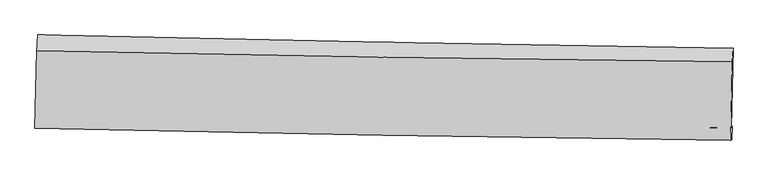
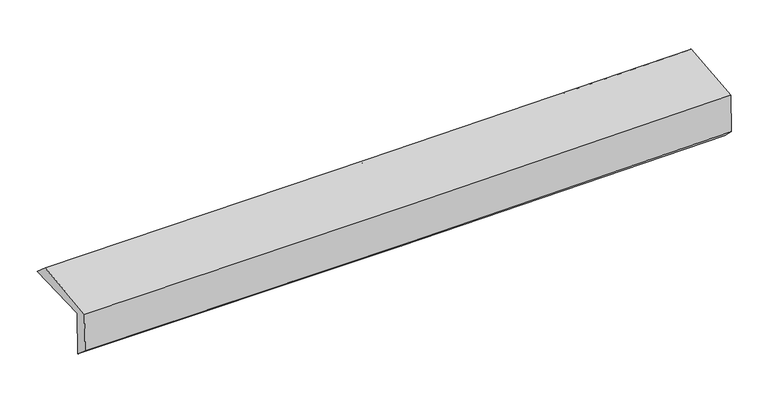
"""IFC4 building model written with IfcOpenShell, lengths in millimetres: proxy geometry."""

from ifc_helpers import new_model, si_unit, frame, origin, place, context, project, spatial, source, transform, mapped, element, save
from ifc_brep_helpers import plane_surface, spline_curve, spline_surface, advanced_brep


def generic_models_edd508a5(model_context):
    return source(origin(), model_context, "Body", "AdvancedBrep", [
        advanced_brep(
        [(-3026.3815339, -1760.6905566, 1985.0765336), (-3008.6629718, -1076.6516266, 1985.5016254), (3016.5948355, -1190.232857, 2133.6644121), (2998.8048968, -1881.3562516, 2128.1982078), (-3016.9478084, -1749.5951153, 1574.2493236), (3008.3758444, -1869.0298285, 1712.6402804), (-3022.8077846, -1881.6733907, 1683.7118865), (3002.8893028, -1985.0643918, 1824.0058071), (-3031.1441439, -1884.5951932, 2054.7627804), (2994.6697025, -1987.5688926, 2190.2979191), (-3014.8648862, -1213.4252578, 2104.8573742), (3011.2921785, -1311.0844551, 2231.1625892)],
        [
            (0, 1),
            (1, 2, spline_curve(3, [(-3008.6629718, -1076.6516266, 1985.5016254), (-2004.351920504, -1100.217652816, 2001.16534079), (-1000.101829723, -1121.465622852, 2021.343752989), (1008.31744447, -1159.326222077, 2070.730979919), (2012.486622528, -1175.938662546, 2099.940163256), (3016.5948355, -1190.232857, 2133.6644121)], [4, 2, 4], [0.0, 9.888552100823643, 19.77750806649008])),
            (2, 3),
            (3, 0, spline_curve(3, [(2998.8048968, -1881.3562516, 2128.1982078), (1994.77430488, -1861.823764767, 2097.085415658), (990.649884474, -1842.001835412, 2069.602044061), (-1017.745600013, -1801.779913136, 2021.895115535), (-2022.016656578, -1781.379944338, 2001.671262762), (-3026.3815339, -1760.6905566, 1985.0765336)], [4, 2, 4], [0.0, 9.888955965666435, 19.77750806649008])),
            (4, 0),
            (3, 5),
            (5, 4, spline_curve(3, [(3008.3758444, -1869.0298285, 1712.6402804), (2004.314888719, -1850.067851425, 1682.227208534), (1000.16385149, -1830.633757235, 1655.487932574), (-1008.277373295, -1790.822147335, 1609.35791362), (-2012.567553576, -1770.444670667, 1589.966870714), (-3016.9478084, -1749.5951153, 1574.2493236)], [4, 2, 4], [0.0, 9.888886137029406, 19.777368412067823])),
            (6, 4),
            (5, 7),
            (7, 6, spline_curve(3, [(3002.8893028, -1985.0643918, 1824.0058071), (1998.526884497, -1974.259281222, 1797.638210083), (994.193998216, -1960.240567434, 1772.763043457), (-1014.371695079, -1925.776637933, 1725.998525094), (-2018.604504558, -1905.33168443, 1704.109051707), (-3022.8077846, -1881.6733907, 1683.7118865)], [4, 2, 4], [0.0, 9.888959164094855, 19.777514463216296])),
            (8, 6),
            (7, 9),
            (9, 8, spline_curve(3, [(2994.6697025, -1987.5688926, 2190.2979191), (1990.286379883, -1976.959299527, 2164.641697661), (985.933311117, -1963.073119071, 2140.518792831), (-1022.671301585, -1928.748285056, 2095.340538327), (-2026.922848708, -1908.309898858, 2074.285063633), (-3031.1441439, -1884.5951932, 2054.7627804)], [4, 2, 4], [0.0, 9.889082744636982, 19.77776161925352])),
            (10, 8),
            (9, 11),
            (11, 10, spline_curve(3, [(3011.2921785, -1311.0844551, 2231.1625892), (2006.81634179, -1299.871106146, 2210.364756637), (1002.388414432, -1286.12594772, 2189.440187898), (-1006.330603164, -1253.572674831, 2147.338439437), (-2010.621697446, -1234.764767934, 2126.161269528), (-3014.8648862, -1213.4252578, 2104.8573742)], [4, 2, 4], [0.0, 9.889102239773145, 19.777800608729667])),
            (1, 10),
            (11, 2),
        ],
        [
            spline_surface(3, 3, [[(-3026.3815339, -1760.6905566, 1985.0765336), (-2022.016656732, -1781.379944299, 2001.671262612), (-1017.745600058, -1801.779913294, 2021.89511566), (990.64988452, -1842.001835254, 2069.602043935), (1994.774304718, -1861.823764622, 2097.085415647), (2998.8048968, -1881.3562516, 2128.1982078)], [(-3020.475346522, -1532.677579927, 1985.218230864), (-2016.128411346, -1554.325847181, 2001.502622011), (-1011.864343251, -1575.0084831, 2021.711328144), (996.53907116, -1614.443297573, 2069.978355921), (2000.678410664, -1633.195397294, 2098.036998164), (3004.73487636, -1650.981786757, 2130.020275909)], [(-3014.569159178, -1304.664603273, 1985.359928136), (-2010.240165994, -1327.271750082, 2001.333981419), (-1005.983086472, -1348.237052909, 2021.527540579), (1002.428257771, -1386.884759895, 2070.354667858), (2006.582516629, -1404.567029894, 2098.988580655), (3010.66485594, -1420.607321843, 2131.842343991)], [(-3008.6629718, -1076.6516266, 1985.5016254), (-2004.351920608, -1100.217652964, 2001.165340819), (-1000.101829664, -1121.465622715, 2021.343753063), (1008.317444411, -1159.326222214, 2070.730979844), (2012.486622575, -1175.938662566, 2099.940163172), (3016.5948355, -1190.232857, 2133.6644121)]], [4, 4], [4, 2, 4], [0.0, 2.2366264034789274], [0.0, 9.888552100823643, 19.77750806649008]),
            spline_surface(3, 3, [[(-3016.9478084, -1749.5951153, 1574.2493236), (-2012.567553715, -1770.444670635, 1589.966870809), (-1008.277373378, -1790.822147476, 1609.357913663), (1000.163851574, -1830.633757093, 1655.487932531), (2004.314888849, -1850.067851341, 1682.227208602), (3008.3758444, -1869.0298285, 1712.6402804)], [(-3020.092383577, -1753.293595728, 1711.19172693), (-2015.717254731, -1774.089761851, 1727.201668073), (-1011.433448934, -1794.474736083, 1746.870314329), (996.992529226, -1834.423116481, 1793.525969665), (2001.134694148, -1853.986489092, 1820.513277596), (3005.185528543, -1873.138636191, 1851.159589512)], [(-3023.236958723, -1756.992076172, 1848.13413027), (-2018.866955715, -1777.734853083, 1864.436465347), (-1014.589524503, -1798.127324687, 1884.382714995), (993.821206867, -1838.212475866, 1931.5640068), (1997.954499419, -1857.905126871, 1958.799346653), (3001.995212657, -1877.247443909, 1989.678898688)], [(-3026.3815339, -1760.6905566, 1985.0765336), (-2022.016656732, -1781.379944299, 2001.671262612), (-1017.745600058, -1801.779913294, 2021.89511566), (990.64988452, -1842.001835254, 2069.602043935), (1994.774304718, -1861.823764622, 2097.085415647), (2998.8048968, -1881.3562516, 2128.1982078)]], [4, 4], [4, 2, 4], [0.0, 1.3569072183931856], [0.0, 9.888482275038417, 19.777368412067823]),
            spline_surface(3, 3, [[(-3022.8077846, -1881.6733907, 1683.7118865), (-2018.604504572, -1905.331684523, 1704.109051692), (-1014.371695125, -1925.776637926, 1725.99852513), (994.193998262, -1960.240567442, 1772.763043421), (1998.526884617, -1974.25928107, 1797.638210202), (3002.8893028, -1985.0643918, 1824.0058071)], [(-3020.854459192, -1837.647298896, 1647.224365531), (-2016.592187612, -1860.369346555, 1666.061658062), (-1012.340254545, -1880.791807786, 1687.118321297), (996.183949363, -1917.038297335, 1733.671339781), (2000.456219365, -1932.86213781, 1759.167876347), (3004.718150004, -1946.386204017, 1786.883964878)], [(-3018.901133808, -1793.621207104, 1610.736844569), (-2014.579870675, -1815.407008602, 1628.014264438), (-1010.308813958, -1835.806977616, 1648.238117495), (998.173900472, -1873.8360272, 1694.579636171), (2002.385554101, -1891.464994601, 1720.697542457), (3006.546997196, -1907.708016283, 1749.762122622)], [(-3016.9478084, -1749.5951153, 1574.2493236), (-2012.567553715, -1770.444670635, 1589.966870809), (-1008.277373378, -1790.822147476, 1609.357913663), (1000.163851574, -1830.633757093, 1655.487932531), (2004.314888849, -1850.067851341, 1682.227208602), (3008.3758444, -1869.0298285, 1712.6402804)]], [4, 4], [4, 2, 4], [0.0, 0.579638826022661], [0.0, 9.88855529912144, 19.777514463216296]),
            spline_surface(3, 3, [[(-3031.1441439, -1884.5951932, 2054.7627804), (-2026.922848551, -1908.309898832, 2074.285063763), (-1022.671301721, -1928.748285013, 2095.340538408), (985.933311252, -1963.073119114, 2140.518792751), (1990.286379933, -1976.959299383, 2164.641697642), (2994.6697025, -1987.5688926, 2190.2979191)], [(-3028.36535748, -1883.621259035, 1931.079149118), (-2024.150067238, -1907.317160731, 1950.893059757), (-1019.904766194, -1927.757735991, 1972.226534003), (988.686873584, -1962.128935231, 2017.933542996), (1993.033214835, -1976.059293272, 2042.307201822), (2997.409569274, -1986.734058994, 2068.200548426)], [(-3025.58657102, -1882.647324865, 1807.395517782), (-2021.377285886, -1906.324422624, 1827.501055698), (-1017.138230652, -1926.767186948, 1849.112529534), (991.44043593, -1961.184751325, 1895.348293176), (1995.780049715, -1975.15928718, 1919.972706022), (3000.149436026, -1985.899225406, 1946.103177774)], [(-3022.8077846, -1881.6733907, 1683.7118865), (-2018.604504572, -1905.331684523, 1704.109051692), (-1014.371695125, -1925.776637926, 1725.99852513), (994.193998262, -1960.240567442, 1772.763043421), (1998.526884617, -1974.25928107, 1797.638210202), (3002.8893028, -1985.0643918, 1824.0058071)]], [4, 4], [4, 2, 4], [0.0, 1.2094923711595555], [0.0, 9.88867887461654, 19.77776161925352]),
            spline_surface(3, 3, [[(-3014.8648862, -1213.4252578, 2104.8573742), (-2010.621697332, -1234.764767952, 2126.161269463), (-1006.330603191, -1253.572674986, 2147.338439326), (1002.388414459, -1286.125947566, 2189.440188009), (2006.816341892, -1299.87110626, 2210.364756484), (3011.2921785, -1311.0844551, 2231.1625892)], [(-3020.291305418, -1437.148569623, 2088.159176262), (-2016.055414389, -1459.279811601, 2108.869200891), (-1011.777502697, -1478.631211661, 2130.005805674), (996.903380061, -1511.775004748, 2173.133056244), (2001.30635457, -1525.567170647, 2195.123736882), (3005.751353164, -1536.579267612, 2217.541032512)], [(-3025.717724682, -1660.871881377, 2071.460978338), (-2021.489131494, -1683.794855182, 2091.577132335), (-1017.224402215, -1703.689748338, 2112.67317206), (991.418345651, -1737.424061932, 2156.825924516), (1995.796367256, -1751.263234996, 2179.882717244), (3000.210527836, -1762.074080088, 2203.919475788)], [(-3031.1441439, -1884.5951932, 2054.7627804), (-2026.922848551, -1908.309898832, 2074.285063763), (-1022.671301721, -1928.748285013, 2095.340538408), (985.933311252, -1963.073119114, 2140.518792751), (1990.286379933, -1976.959299383, 2164.641697642), (2994.6697025, -1987.5688926, 2190.2979191)]], [4, 4], [4, 2, 4], [0.0, 2.224869381805429], [0.0, 9.888698368956522, 19.777800608729667]),
            spline_surface(3, 3, [[(-3008.6629718, -1076.6516266, 1985.5016254), (-2004.351920608, -1100.217652964, 2001.165340819), (-1000.101829664, -1121.465622715, 2021.343753063), (1008.317444411, -1159.326222214, 2070.730979844), (2012.486622575, -1175.938662566, 2099.940163172), (3016.5948355, -1190.232857, 2133.6644121)], [(-3010.730276612, -1122.242836991, 2025.286874995), (-2006.441846194, -1145.066691284, 2042.830650362), (-1002.178087517, -1165.501306789, 2063.341981803), (1006.341101084, -1201.592797315, 2110.300715885), (2010.596529002, -1217.249477126, 2136.748360938), (3014.827283155, -1230.516723029, 2166.163804462)], [(-3012.797581388, -1167.834047409, 2065.072124605), (-2008.531771745, -1189.915729631, 2084.49595992), (-1004.254345339, -1209.536990912, 2105.340210586), (1004.364757786, -1243.859372465, 2149.870451968), (2008.706435465, -1258.560291699, 2173.556558718), (3013.059730845, -1270.800589071, 2198.663196838)], [(-3014.8648862, -1213.4252578, 2104.8573742), (-2010.621697332, -1234.764767952, 2126.161269463), (-1006.330603191, -1253.572674986, 2147.338439326), (1002.388414459, -1286.125947566, 2189.440188009), (2006.816341892, -1299.87110626, 2210.364756484), (3011.2921785, -1311.0844551, 2231.1625892)]], [4, 4], [4, 2, 4], [0.0, 0.5847361279032963], [0.0, 9.888631729353742, 19.777667326802437]),
            plane_surface(frame((3005.4377934, -1704.0561128, 2036.661536), z_axis=(0.9994168566637534, -0.025901578287406316, 0.022249828281681393), x_axis=(0.022433842670709674, 0.006835560747656876, -0.9997249610829426))),
            plane_surface(frame((-3020.1348548, -1594.4385234, 1898.0265873), z_axis=(-0.9994168566639003, 0.025901578280172952, -0.022249828283492333), x_axis=(-0.025894165848959698, -0.9996644968396212, -0.0006212353607417114))),
        ],
        [
            (0, [[1, 2, 3, 4]]),
            (1, [[5, -4, 6, 7]]),
            (2, [[8, -7, 9, 10]]),
            (3, [[11, -10, 12, 13]]),
            (4, [[14, -13, 15, 16]]),
            (5, [[17, -16, 18, -2]]),
            (6, [[-12, -9, -6, -3, -18, -15]]),
            (7, [[-1, -5, -8, -11, -14, -17]]),
        ],
    ),
    ])


if __name__ == "__main__":
    model = new_model("IFC4")
    model_context = context("Model", 3, world=origin())
    ifc_project = project(units=[si_unit("LENGTHUNIT", "METRE", prefix="MILLI")], contexts=[model_context])
    site = spatial("IfcSite", under=ifc_project)
    building = spatial("IfcBuilding", under=site)
    placement = place(None, origin())
    generic_models_shape = generic_models_edd508a5(model_context)
    element("IfcBuildingElementProxy", 1, Name="Generic Models", at=placement, inside=building, context=model_context, shape_type="MappedRepresentation", body=[
        mapped(generic_models_shape, transform((0.0, 0.0, 0.0), x_axis=(1.0, 0.0, 0.0), y_axis=(0.0, 1.0, 0.0), z_axis=(0.0, 0.0, 1.0))),
    ])
    save(model, "model.ifc")
